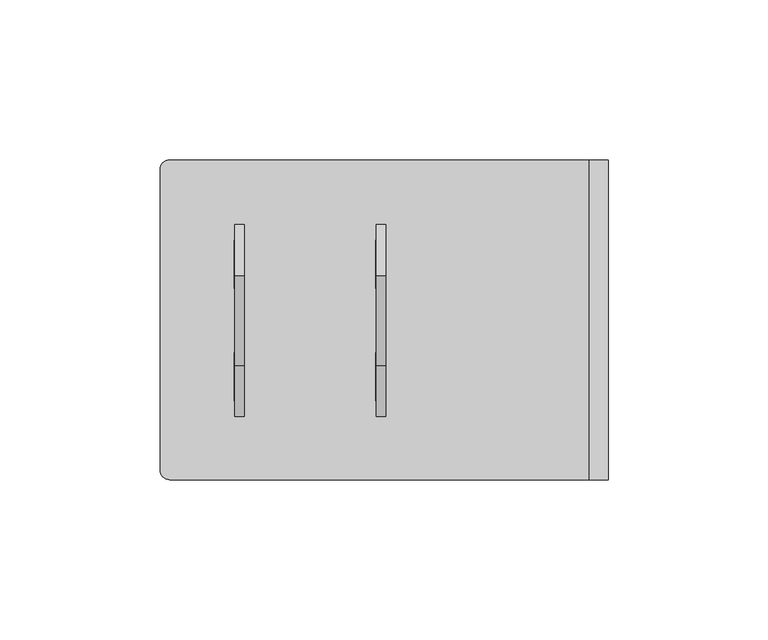
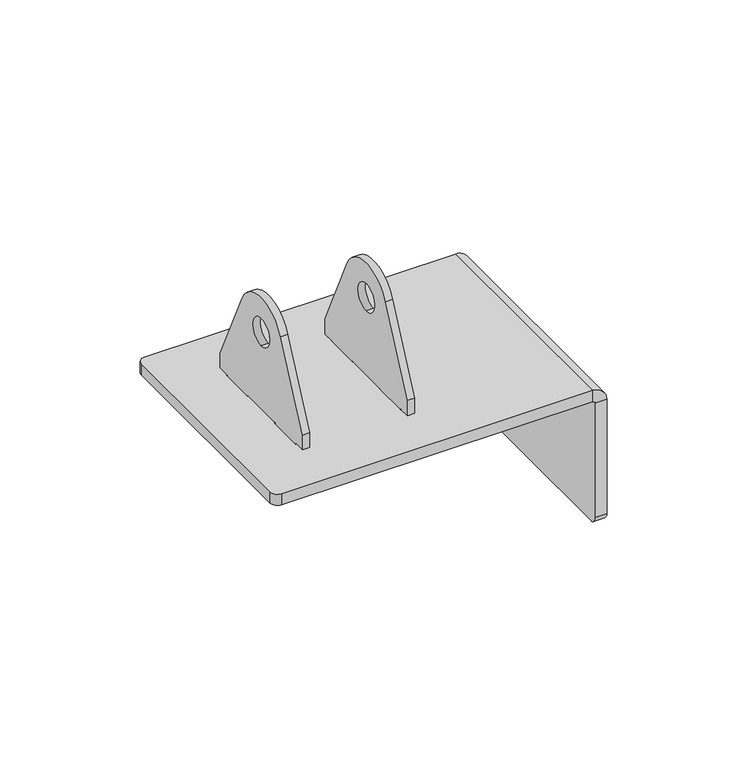
"""IFC4 building model written with IfcOpenShell, lengths in millimetres: proxy geometry."""

from ifc_helpers import new_model, si_unit, point, frame, frame_2d, origin, place, context, project, spatial, polyline, circle_curve, trimmed, segment, composite_curve, outline, extrude, source, transform, mapped, element, save
from ifc_brep_helpers import plane_surface, cylinder_surface, revolved_surface, advanced_brep


def generic_models_a05ceb16(model_context):
    return source(origin(), model_context, "Body", "SolidModel", [
        extrude(outline(composite_curve([segment(polyline([(74.9, 5.0), (74.9, 0.0), (59.9, 0.0), (59.9, 5.0), (39.7, 5.0), (39.7, 0.0), (24.7, 0.0), (24.7, 5.0), (19.8, 5.0), (19.8, 11.8409169), (35.7522293, 46.0505831)]), True, "CONTINUOUS"), segment(trimmed(circle_curve(frame_2d((49.8, 39.5)), 15.5), [point((35.7522293, 46.0505831))], [point((63.8477707, 46.0505831))], False, "CARTESIAN"), True, "CONTINUOUS"), segment(polyline([(63.8477707, 46.0505831), (79.8, 11.8409169), (79.8, 5.0), (74.9, 5.0)]), True, "CONTINUOUS")], self_intersect=False), holes=[composite_curve([segment(trimmed(circle_curve(frame_2d((49.8, 39.5)), 6.0), [point((49.8, 33.5))], [point((49.8, 45.5))], True, "CARTESIAN"), True, "CONTINUOUS"), segment(trimmed(circle_curve(frame_2d((49.8, 39.5)), 6.0), [point((49.8, 45.5))], [point((49.8, 33.5))], True, "CARTESIAN"), True, "CONTINUOUS")], self_intersect=False)]), frame((67.5, 0.0, 0.0), z_axis=(1.0, 0.0, 0.0), x_axis=(0.0, 1.0, 0.0)), (0.0, 0.0, 1.0), 3.0),
        advanced_brep(
        [(140.0, 0.0, -52.0), (140.0, 3.0, -55.0), (140.0, 97.0, -55.0), (140.0, 100.0, -52.0), (140.0, 100.0, -1.0), (140.0, 0.0, -1.0), (135.0, 3.0, -55.0), (135.0, 0.0, -52.0), (135.0, 0.0, -1.0), (135.0, 100.0, -1.0), (135.0, 100.0, -52.0), (135.0, 97.0, -55.0), (0.0, 97.0, 5.0), (3.0, 100.0, 5.0), (3.0, 100.0, 0.0), (0.0, 97.0, 0.0), (134.0, 100.0, 5.0), (134.0, 100.0, 0.0), (0.0, 3.0, 5.0), (3.0, 0.0, 5.0), (134.0, 0.0, 5.0), (26.4, 59.8, 5.0), (23.2, 59.8, 5.0), (23.2, 75.0, 5.0), (26.4, 75.0, 5.0), (70.6, 59.8, 5.0), (67.4, 59.8, 5.0), (67.4, 75.0, 5.0), (70.6, 75.0, 5.0), (23.2, 39.8, 5.0), (26.4, 39.8, 5.0), (26.4, 24.6, 5.0), (23.2, 24.6, 5.0), (67.4, 39.8, 5.0), (70.6, 39.8, 5.0), (70.6, 24.6, 5.0), (67.4, 24.6, 5.0), (0.0, 3.0, 0.0), (3.0, 0.0, 0.0), (134.0, 0.0, 0.0), (23.2, 75.0, 0.0), (26.4, 75.0, 0.0), (23.2, 59.8, 0.0), (26.4, 59.8, 0.0), (67.4, 75.0, 0.0), (70.6, 75.0, 0.0), (67.4, 59.8, 0.0), (70.6, 59.8, 0.0), (26.4, 24.6, 0.0), (23.2, 24.6, 0.0), (26.4, 39.8, 0.0), (23.2, 39.8, 0.0), (70.6, 24.6, 0.0), (67.4, 24.6, 0.0), (70.6, 39.8, 0.0), (67.4, 39.8, 0.0)],
        [
            (0, 1, circle_curve(frame((140.0, 3.0, -52.0), z_axis=(1.0, 0.0, 0.0), x_axis=(0.0, -0.7071067811865492, -0.7071067811865459)), 3.0)),
            (1, 2),
            (2, 3, circle_curve(frame((140.0, 97.0, -52.0), z_axis=(1.0, 0.0, 0.0), x_axis=(0.0, 0.7071067811865498, -0.7071067811865455)), 3.0)),
            (3, 4),
            (4, 5),
            (5, 0),
            (6, 7, circle_curve(frame((135.0, 3.0, -52.0), z_axis=(-1.0, 0.0, 0.0), x_axis=(0.0, -0.7071067811865492, -0.7071067811865459)), 3.0)),
            (7, 8),
            (8, 9),
            (9, 10),
            (10, 11, circle_curve(frame((135.0, 97.0, -52.0), z_axis=(-1.0, 0.0, 0.0), x_axis=(0.0, 0.7071067811865498, -0.7071067811865455)), 3.0)),
            (11, 6),
            (0, 7),
            (6, 1),
            (11, 2),
            (10, 3),
            (9, 4),
            (12, 13, circle_curve(frame((3.0, 97.0, 5.0), z_axis=(0.0, 0.0, -1.0), x_axis=(-0.7071067811865468, 0.7071067811865483, 0.0)), 3.0)),
            (13, 14),
            (14, 15, circle_curve(frame((3.0, 97.0, 0.0), z_axis=(0.0, 0.0, 1.0), x_axis=(-0.7071067811865468, 0.7071067811865483, 0.0)), 3.0)),
            (15, 12),
            (13, 16),
            (16, 17),
            (17, 14),
            (12, 18),
            (18, 19, circle_curve(frame((3.0, 3.0, 5.0), z_axis=(0.0, 0.0, 1.0), x_axis=(-0.7071067811865482, -0.7071067811865468, 0.0)), 3.0)),
            (19, 20),
            (20, 16),
            (21, 22),
            (22, 23),
            (23, 24),
            (24, 21),
            (25, 26),
            (26, 27),
            (27, 28),
            (28, 25),
            (29, 30),
            (30, 31),
            (31, 32),
            (32, 29),
            (33, 34),
            (34, 35),
            (35, 36),
            (36, 33),
            (18, 37),
            (37, 38, circle_curve(frame((3.0, 3.0, 0.0), z_axis=(0.0, 0.0, 1.0), x_axis=(-0.7071067811865482, -0.7071067811865468, 0.0)), 3.0)),
            (38, 19),
            (38, 39),
            (39, 20),
            (40, 41),
            (41, 24),
            (23, 40),
            (42, 40),
            (22, 42),
            (43, 42),
            (21, 43),
            (41, 43),
            (44, 45),
            (45, 28),
            (27, 44),
            (46, 44),
            (26, 46),
            (47, 46),
            (25, 47),
            (45, 47),
            (48, 49),
            (49, 32),
            (31, 48),
            (50, 48),
            (30, 50),
            (51, 50),
            (29, 51),
            (49, 51),
            (52, 53),
            (53, 36),
            (35, 52),
            (54, 52),
            (34, 54),
            (55, 54),
            (33, 55),
            (53, 55),
            (4, 16, circle_curve(frame((134.0, 100.0, -1.0), z_axis=(0.0, -1.0, 0.0), x_axis=(0.0, 0.0, 1.0)), 6.0)),
            (20, 5, circle_curve(frame((134.0, 0.0, -1.0), z_axis=(0.0, 1.0, 0.0), x_axis=(0.0, 0.0, 1.0)), 6.0)),
            (5, 8),
            (9, 17, circle_curve(frame((134.0, 100.0, -1.0), z_axis=(0.0, -1.0, 0.0), x_axis=(0.0, 0.0, 1.0)), 1.0)),
            (39, 8, circle_curve(frame((134.0, 0.0, -1.0), z_axis=(0.0, 1.0, 0.0), x_axis=(0.0, 0.0, 1.0)), 1.0)),
            (39, 17),
            (15, 37),
        ],
        [
            plane_surface(frame((140.0, 50.0, -26.4684736), z_axis=(1.0, 0.0, 0.0), x_axis=(0.0, 0.0, -1.0))),
            plane_surface(frame((135.0, 50.0, -26.4684736), z_axis=(-1.0, 0.0, 0.0), x_axis=(0.0, 0.0, -1.0))),
            cylinder_surface(frame((135.0, 3.0, -52.0), z_axis=(1.0000000000000002, 0.0, 0.0), x_axis=(0.0, -0.7071067811865492, -0.7071067811865459)), 3.0),
            plane_surface(frame((135.0, 100.0, -55.0), z_axis=(0.0, 0.0, -1.0), x_axis=(-1.0, 0.0, 0.0))),
            cylinder_surface(frame((135.0, 97.0, -52.0), z_axis=(1.0000000000000002, 0.0, 0.0), x_axis=(0.0, 0.7071067811865498, -0.7071067811865455)), 3.0),
            plane_surface(frame((135.0, 100.0, -1.0), z_axis=(0.0, 1.0, 0.0), x_axis=(1.0, 0.0, 0.0))),
            cylinder_surface(frame((3.0, 97.0, 0.0), z_axis=(0.0, 0.0, 1.0000000000000002), x_axis=(-0.7071067811865468, 0.7071067811865483, 0.0)), 3.0),
            plane_surface(frame((0.0, 100.0, 0.0), z_axis=(0.0, 1.0, 0.0), x_axis=(0.0, 0.0, 1.0))),
            plane_surface(frame((70.0, 50.0, 5.0), z_axis=(0.0, 0.0, 1.0), x_axis=(1.0, 0.0, 0.0))),
            cylinder_surface(frame((3.0, 3.0, 0.0), z_axis=(0.0, 0.0, 1.0), x_axis=(-0.7071067811865482, -0.7071067811865468, 0.0)), 3.0),
            plane_surface(frame((140.0, 0.0, 0.0), z_axis=(0.0, -1.0, 0.0), x_axis=(0.0, 0.0, -1.0))),
            plane_surface(frame((26.4, 75.0, 5.0), z_axis=(0.0, -1.0, 0.0), x_axis=(0.0, 0.0, 1.0))),
            plane_surface(frame((23.2, 75.0, 5.0), z_axis=(1.0, 0.0, 0.0), x_axis=(0.0, 0.0, 1.0))),
            plane_surface(frame((23.2, 59.8, 5.0), z_axis=(0.0, 1.0, 0.0), x_axis=(0.0, 0.0, -1.0))),
            plane_surface(frame((26.4, 59.8, 5.0), z_axis=(-1.0, 0.0, 0.0), x_axis=(0.0, 0.0, -1.0))),
            plane_surface(frame((70.6, 75.0, 5.0), z_axis=(0.0, -1.0, 0.0), x_axis=(0.0, 0.0, 1.0))),
            plane_surface(frame((67.4, 75.0, 5.0), z_axis=(1.0, 0.0, 0.0), x_axis=(0.0, 0.0, 1.0))),
            plane_surface(frame((67.4, 59.8, 5.0), z_axis=(0.0, 1.0, 0.0), x_axis=(0.0, 0.0, -1.0))),
            plane_surface(frame((70.6, 59.8, 5.0), z_axis=(-1.0, 0.0, 0.0), x_axis=(0.0, 0.0, -1.0))),
            plane_surface(frame((23.2, 24.6, 5.0), z_axis=(0.0, 1.0, 0.0), x_axis=(0.0, 0.0, -1.0))),
            plane_surface(frame((26.4, 24.6, 5.0), z_axis=(-1.0, 0.0, 0.0), x_axis=(0.0, 0.0, -1.0))),
            plane_surface(frame((26.4, 39.8, 5.0), z_axis=(0.0, -1.0, 0.0), x_axis=(0.0, 0.0, 1.0))),
            plane_surface(frame((23.2, 39.8, 5.0), z_axis=(1.0, 0.0, 0.0), x_axis=(0.0, 0.0, 1.0))),
            plane_surface(frame((67.4, 24.6, 5.0), z_axis=(0.0, 1.0, 0.0), x_axis=(0.0, 0.0, -1.0))),
            plane_surface(frame((70.6, 24.6, 5.0), z_axis=(-1.0, 0.0, 0.0), x_axis=(0.0, 0.0, -1.0))),
            plane_surface(frame((70.6, 39.8, 5.0), z_axis=(0.0, -1.0, 0.0), x_axis=(0.0, 0.0, 1.0))),
            plane_surface(frame((67.4, 39.8, 5.0), z_axis=(1.0, 0.0, 0.0), x_axis=(0.0, 0.0, 1.0))),
            cylinder_surface(frame((134.0, 50.0, -1.0), z_axis=(0.0, 1.0, 0.0), x_axis=(0.0, 0.0, 1.0)), 6.0),
            plane_surface(frame((135.0, 0.0, -1.0), z_axis=(0.0, -1.0, 0.0), x_axis=(-1.0, 0.0, 0.0))),
            plane_surface(frame((135.0, 100.0, -1.0), z_axis=(0.0, 1.0, 0.0), x_axis=(0.0, 0.0, 1.0))),
            plane_surface(frame((140.0, 0.0, -1.0), z_axis=(0.0, -1.0, 0.0), x_axis=(0.0, 0.0, -1.0))),
            revolved_surface(polyline([(134.0, 100.0, 0.0), (134.0, 0.0, 0.0)]), (134.0, 50.0, -1.0), (0.0, 1.0, 0.0)),
            plane_surface(frame((0.0, 0.0, 0.0), z_axis=(-1.0, 0.0, 0.0), x_axis=(0.0, 0.0, 1.0))),
            plane_surface(frame((70.0, 50.0, 0.0), z_axis=(0.0, 0.0, -1.0), x_axis=(1.0, 0.0, 0.0))),
        ],
        [
            (0, [[1, 2, 3, 4, 5, 6]]),
            (1, [[7, 8, 9, 10, 11, 12]]),
            (2, [[-1, 13, -7, 14]]),
            (3, [[-14, -12, 15, -2]]),
            (4, [[-3, -15, -11, 16]]),
            (5, [[-16, -10, 17, -4]]),
            (6, [[18, 19, 20, 21]]),
            (7, [[-19, 22, 23, 24]]),
            (8, [[-18, 25, 26, 27, 28, -22], [29, 30, 31, 32], [33, 34, 35, 36], [37, 38, 39, 40], [41, 42, 43, 44]]),
            (9, [[-26, 45, 46, 47]]),
            (10, [[-47, 48, 49, -27]]),
            (11, [[50, 51, -31, 52]]),
            (12, [[53, -52, -30, 54]]),
            (13, [[55, -54, -29, 56]]),
            (14, [[57, -56, -32, -51]]),
            (15, [[58, 59, -35, 60]]),
            (16, [[61, -60, -34, 62]]),
            (17, [[63, -62, -33, 64]]),
            (18, [[65, -64, -36, -59]]),
            (19, [[66, 67, -39, 68]]),
            (20, [[69, -68, -38, 70]]),
            (21, [[71, -70, -37, 72]]),
            (22, [[73, -72, -40, -67]]),
            (23, [[74, 75, -43, 76]]),
            (24, [[77, -76, -42, 78]]),
            (25, [[79, -78, -41, 80]]),
            (26, [[81, -80, -44, -75]]),
            (27, [[-5, 82, -28, 83]]),
            (28, [[-13, -6, 84, -8]]),
            (29, [[-17, 85, -23, -82]]),
            (30, [[-84, -83, -49, 86]]),
            (31, [[-9, -86, 87, -85]]),
            (32, [[-21, 88, -45, -25]]),
            (33, [[-20, -24, -87, -48, -46, -88], [-55, -57, -50, -53], [-63, -65, -58, -61], [-71, -73, -66, -69], [-79, -81, -74, -77]]),
        ],
    ),
        extrude(outline(composite_curve([segment(polyline([(74.9, 5.0), (74.9, 0.0), (59.9, 0.0), (59.9, 5.0), (39.7, 5.0), (39.7, 0.0), (24.7, 0.0), (24.7, 5.0), (19.8, 5.0), (19.8, 11.8409169), (35.7522293, 46.0505831)]), True, "CONTINUOUS"), segment(trimmed(circle_curve(frame_2d((49.8, 39.5)), 15.5), [point((35.7522293, 46.0505831))], [point((63.8477707, 46.0505831))], False, "CARTESIAN"), True, "CONTINUOUS"), segment(polyline([(63.8477707, 46.0505831), (79.8, 11.8409169), (79.8, 5.0), (74.9, 5.0)]), True, "CONTINUOUS")], self_intersect=False), holes=[composite_curve([segment(trimmed(circle_curve(frame_2d((49.8, 39.5)), 6.0), [point((49.8, 33.5))], [point((49.8, 45.5))], True, "CARTESIAN"), True, "CONTINUOUS"), segment(trimmed(circle_curve(frame_2d((49.8, 39.5)), 6.0), [point((49.8, 45.5))], [point((49.8, 33.5))], True, "CARTESIAN"), True, "CONTINUOUS")], self_intersect=False)]), frame((23.3, 0.0, 0.0), z_axis=(1.0, 0.0, 0.0), x_axis=(0.0, 1.0, 0.0)), (0.0, 0.0, 1.0), 3.0),
    ])


if __name__ == "__main__":
    model = new_model("IFC4")
    model_context = context("Model", 3, world=origin())
    ifc_project = project(units=[si_unit("LENGTHUNIT", "METRE", prefix="MILLI")], contexts=[model_context])
    site = spatial("IfcSite", under=ifc_project)
    building = spatial("IfcBuilding", under=site)
    placement = place(None, origin())
    generic_models_shape = generic_models_a05ceb16(model_context)
    element("IfcBuildingElementProxy", 1, Name="Generic Models", at=placement, inside=building, context=model_context, shape_type="MappedRepresentation", body=[
        mapped(generic_models_shape, transform((0.0, 0.0, 0.0), x_axis=(1.0, 0.0, 0.0), y_axis=(0.0, 1.0, 0.0), z_axis=(0.0, 0.0, 1.0))),
    ])
    save(model, "model.ifc")
